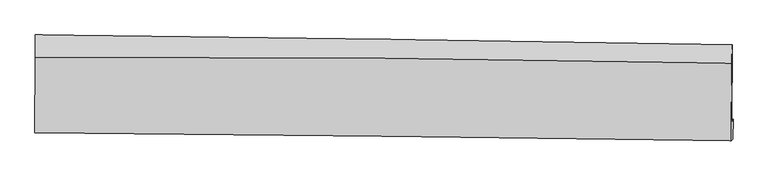
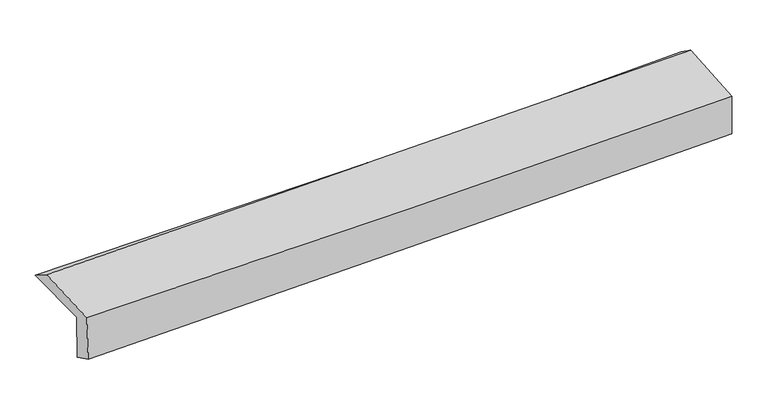
"""IFC4 building model written with IfcOpenShell, lengths in millimetres: proxy geometry."""

from ifc_helpers import new_model, si_unit, frame, origin, place, context, project, spatial, source, transform, mapped, element, save
from ifc_brep_helpers import plane_surface, spline_curve, spline_surface, advanced_brep


def generic_models_54c96e80(model_context):
    return source(origin(), model_context, "Body", "AdvancedBrep", [
        advanced_brep(
        [(-3008.8274967, -1756.1516494, 1977.6868131), (-3007.3400333, -1085.0512914, 1986.122767), (2993.3993202, -1168.6240048, 2151.1208491), (2988.503975, -1834.4139303, 2131.4802068), (-2998.0349591, -1747.5590268, 1572.9270793), (2999.4866806, -1810.5228965, 1722.0247795), (-3000.9405452, -1928.0403817, 1664.8171909), (2995.2751239, -1981.2805664, 1829.1777803), (-3011.9347724, -1928.1326388, 2077.9713001), (2984.9767299, -1996.1573653, 2215.4428972), (-3011.0848954, -1275.6201185, 2108.5858327), (2989.1554635, -1328.6512843, 2262.8106658)],
        [
            (0, 1),
            (1, 2, spline_curve(3, [(-3007.3400333, -1085.0512914, 1986.122767), (-2006.644718486, -1097.383920953, 1976.639231834), (-1006.409443472, -1110.511925869, 1985.636077444), (993.837649001, -1138.368388452, 2040.609675914), (1993.848825231, -1153.097954527, 2086.612190698), (2993.3993202, -1168.6240048, 2151.1208491)], [4, 2, 4], [0.0, 9.843668740124423, 19.69419634329512])),
            (2, 3),
            (3, 0, spline_curve(3, [(2988.503975, -1834.4139303, 2131.4802068), (1989.534481552, -1821.297592267, 2072.19660447), (990.097892994, -1808.21530707, 2029.740082161), (-1009.013248081, -1782.127927536, 1978.499042665), (-2008.687149883, -1769.122785901, 1969.691100558), (-3008.8274967, -1756.1516494, 1977.6868131)], [4, 2, 4], [0.0, 9.850527603170695, 19.69419634329512])),
            (4, 0),
            (3, 5),
            (5, 4, spline_curve(3, [(2999.4866806, -1810.5228965, 1722.0247795), (2000.181194756, -1795.634298159, 1675.328927757), (1000.560810206, -1782.941947273, 1639.555669017), (-998.61350809, -1761.957048101, 1589.871640952), (-1998.167003372, -1753.661442669, 1575.945666163), (-2998.0349591, -1747.5590268, 1572.9270793)], [4, 2, 4], [0.0, 9.846657007094734, 19.686457846215934])),
            (6, 4),
            (5, 7),
            (7, 6, spline_curve(3, [(2995.2751239, -1981.2805664, 1829.1777803), (1995.908712828, -1965.424075497, 1791.685723398), (996.366782747, -1953.058818262, 1759.239966062), (-1002.372018108, -1935.316950267, 1704.460127816), (-2001.568644484, -1929.935479038, 1682.119022115), (-3000.9405452, -1928.0403817, 1664.8171909)], [4, 2, 4], [0.0, 9.84498329910976, 19.683111595638774])),
            (8, 6),
            (7, 9),
            (9, 8, spline_curve(3, [(2984.9767299, -1996.1573653, 2215.4428972), (1985.53998177, -1983.027081959, 2180.204441806), (985.904868966, -1970.791550556, 2151.127402926), (-1013.065907737, -1948.117887161, 2105.312114284), (-2012.401295839, -1937.678509947, 2088.56528751), (-3011.9347724, -1928.1326388, 2077.9713001)], [4, 2, 4], [0.0, 9.844137361083057, 19.68142030860692])),
            (10, 8),
            (9, 11),
            (11, 10, spline_curve(3, [(2989.1554635, -1328.6512843, 2262.8106658), (1988.925548096, -1309.628487425, 2230.571136079), (988.616391751, -1295.698059283, 2201.595962568), (-1011.463838335, -1278.028093005, 2150.192228919), (-2011.234801607, -1274.281466163, 2127.759125162), (-3011.0848954, -1275.6201185, 2108.5858327)], [4, 2, 4], [0.0, 9.847201635129787, 19.68754672306482])),
            (1, 10),
            (11, 2),
        ],
        [
            spline_surface(3, 3, [[(-3008.8274967, -1756.1516494, 1977.6868131), (-2008.687149843, -1769.122785818, 1969.691100488), (-1009.013247949, -1782.127927511, 1978.499042638), (990.097892863, -1808.215307095, 2029.740082188), (1989.534481534, -1821.297592325, 2072.196604577), (2988.503975, -1834.4139303, 2131.4802068)], [(-3008.331675552, -1532.451530092, 1980.498797763), (-2008.006339345, -1545.209830892, 1972.007144313), (-1008.145313105, -1558.255926996, 1980.878054274), (991.344478261, -1584.933000834, 2033.363280053), (1990.972596117, -1598.564379701, 2077.001800003), (2990.135756738, -1612.483955138, 2138.02708758)], [(-3007.835854448, -1308.751410708, 1983.310782337), (-2007.32552889, -1321.296875889, 1974.323188048), (-1007.277378316, -1334.383926503, 1983.257065925), (992.591063603, -1361.650694595, 2036.986477933), (1992.410710685, -1375.831167064, 2081.80699539), (2991.767538462, -1390.553979962, 2144.57396832)], [(-3007.3400333, -1085.0512914, 1986.122767), (-2006.644718391, -1097.383920963, 1976.639231873), (-1006.409443472, -1110.511925987, 1985.636077561), (993.837649001, -1138.368388334, 2040.609675797), (1993.848825267, -1153.09795444, 2086.612190817), (2993.3993202, -1168.6240048, 2151.1208491)]], [4, 4], [4, 2, 4], [0.0, 2.200783416863172], [0.0, 9.843668740124423, 19.69419634329512]),
            spline_surface(3, 3, [[(-2998.0349591, -1747.5590268, 1572.9270793), (-1998.167003282, -1753.661442551, 1575.945666279), (-998.613508084, -1761.957048092, 1589.871640973), (1000.5608102, -1782.941947282, 1639.555668996), (2000.181194877, -1795.634298256, 1675.328927705), (2999.4866806, -1810.5228965, 1722.0247795)], [(-3001.632471645, -1750.423234338, 1707.846990551), (-2001.673718814, -1758.815223645, 1707.194144333), (-1002.080088066, -1768.680674576, 1719.414108201), (997.073171061, -1791.366400564, 1769.617140066), (1996.632290405, -1804.188729612, 1807.618153328), (2995.825778709, -1818.486574433, 1858.509921933)], [(-3005.229984155, -1753.287441862, 1842.766901849), (-2005.180434311, -1763.969004725, 1838.442622434), (-1005.546667967, -1775.404301026, 1848.956575411), (993.585532002, -1799.790853812, 1899.678611118), (1993.083386006, -1812.743160968, 1939.907378954), (2992.164876891, -1826.450252367, 1994.995064367)], [(-3008.8274967, -1756.1516494, 1977.6868131), (-2008.687149843, -1769.122785818, 1969.691100488), (-1009.013247949, -1782.127927511, 1978.499042638), (990.097892863, -1808.215307095, 2029.740082188), (1989.534481534, -1821.297592325, 2072.196604577), (2988.503975, -1834.4139303, 2131.4802068)]], [4, 4], [4, 2, 4], [0.0, 1.2802111929095426], [0.0, 9.8398008391212, 19.686457846215934]),
            spline_surface(3, 3, [[(-3000.9405452, -1928.0403817, 1664.8171909), (-2001.568644359, -1929.935479193, 1682.11902219), (-1002.372018035, -1935.316950217, 1704.460127861), (996.366782674, -1953.058818312, 1759.239966017), (1995.908712712, -1965.424075483, 1791.685723495), (2995.2751239, -1981.2805664, 1829.1777803)], [(-2999.972016506, -1867.879930062, 1634.187153709), (-2000.434764006, -1871.177466974, 1646.727903562), (-1001.119181361, -1877.530316179, 1666.263965562), (997.764791874, -1896.353194639, 1719.345200341), (1997.332873439, -1908.827483077, 1752.900124914), (2996.678976138, -1924.361343103, 1793.460113382)], [(-2999.003487794, -1807.719478438, 1603.557116491), (-1999.300883635, -1812.41945477, 1611.336784907), (-999.866344759, -1819.74368213, 1628.067803272), (999.162801001, -1839.647570955, 1679.450434672), (1998.757034151, -1852.230890662, 1714.114526286), (2998.082828362, -1867.442119797, 1757.742446418)], [(-2998.0349591, -1747.5590268, 1572.9270793), (-1998.167003282, -1753.661442551, 1575.945666279), (-998.613508084, -1761.957048092, 1589.871640973), (1000.5608102, -1782.941947282, 1639.555668996), (2000.181194877, -1795.634298256, 1675.328927705), (2999.4866806, -1810.5228965, 1722.0247795)]], [4, 4], [4, 2, 4], [0.0, 0.6821531836888474], [0.0, 9.838128296529014, 19.683111595638774]),
            spline_surface(3, 3, [[(-3011.9347724, -1928.1326388, 2077.9713001), (-2012.401295822, -1937.678509963, 2088.565287587), (-1013.065907829, -1948.117887221, 2105.31211442), (985.904869058, -1970.791550496, 2151.12740279), (1985.539981879, -1983.027082016, 2180.204441661), (2984.9767299, -1996.1573653, 2215.4428972)], [(-3008.270030011, -1928.101886436, 1940.253263698), (-2008.790412012, -1935.097499709, 1953.083199119), (-1009.501277924, -1943.850908222, 1971.694785562), (989.39217357, -1964.88063977, 2020.498257195), (1988.996225506, -1977.159413165, 2050.698202264), (2988.409527915, -1991.198432326, 2086.687858225)], [(-3004.605287589, -1928.071134064, 1802.535227302), (-2005.17952817, -1932.516489447, 1817.601110657), (-1005.93664794, -1939.583929216, 1838.077456718), (992.879478162, -1958.969729038, 1889.869111612), (1992.452469086, -1971.291744334, 1921.191962892), (2991.842325885, -1986.239499374, 1957.932819275)], [(-3000.9405452, -1928.0403817, 1664.8171909), (-2001.568644359, -1929.935479193, 1682.11902219), (-1002.372018035, -1935.316950217, 1704.460127861), (996.366782674, -1953.058818312, 1759.239966017), (1995.908712712, -1965.424075483, 1791.685723495), (2995.2751239, -1981.2805664, 1829.1777803)]], [4, 4], [4, 2, 4], [0.0, 1.3018424488666769], [0.0, 9.837282947523864, 19.68142030860692]),
            spline_surface(3, 3, [[(-3011.0848954, -1275.6201185, 2108.5858327), (-2011.234801517, -1274.281466165, 2127.759125125), (-1011.463838268, -1278.028093051, 2150.192229059), (988.616391685, -1295.698059237, 2201.595962429), (1988.925548053, -1309.628487574, 2230.571136215), (2989.1554635, -1328.6512843, 2262.8106658)], [(-3011.368187706, -1493.12429193, 2098.380988501), (-2011.623632925, -1495.413814094, 2114.694512613), (-1011.997861451, -1501.391357768, 2135.23219083), (987.712550814, -1520.729222985, 2184.7731092), (1987.79702599, -1534.094685724, 2213.782238038), (2987.762552295, -1551.153311303, 2247.021409608)], [(-3011.651480094, -1710.62846537, 2088.176144299), (-2012.012464414, -1716.546162034, 2101.629900099), (-1012.531884647, -1724.754622503, 2120.272152649), (986.808709929, -1745.760386749, 2167.950256019), (1986.668503942, -1758.560883866, 2196.993339838), (2986.369641105, -1773.655338297, 2231.232153392)], [(-3011.9347724, -1928.1326388, 2077.9713001), (-2012.401295822, -1937.678509963, 2088.565287587), (-1013.065907829, -1948.117887221, 2105.31211442), (985.904869058, -1970.791550496, 2151.12740279), (1985.539981879, -1983.027082016, 2180.204441661), (2984.9767299, -1996.1573653, 2215.4428972)]], [4, 4], [4, 2, 4], [0.0, 2.212219377087084], [0.0, 9.840345087935033, 19.68754672306482]),
            spline_surface(3, 3, [[(-3007.3400333, -1085.0512914, 1986.122767), (-2006.644718391, -1097.383920963, 1976.639231873), (-1006.409443472, -1110.511925987, 1985.636077561), (993.837649001, -1138.368388334, 2040.609675797), (1993.848825267, -1153.09795444, 2086.612190817), (2993.3993202, -1168.6240048, 2151.1208491)], [(-3008.588320679, -1148.574233742, 2026.943788879), (-2008.174746112, -1156.349769339, 2027.012529602), (-1008.094241732, -1166.350648337, 2040.488128082), (992.097229902, -1190.811611963, 2094.271771364), (1992.207732867, -1205.274798815, 2134.598505922), (2991.984701305, -1221.966431297, 2188.350787972)], [(-3009.836608021, -1212.097176158, 2067.764810821), (-2009.704773796, -1215.315617788, 2077.385827396), (-1009.779040009, -1222.189370701, 2095.340178537), (990.356810784, -1243.254835608, 2147.933866863), (1990.566640453, -1257.451643199, 2182.58482111), (2990.570082395, -1275.308857803, 2225.580726928)], [(-3011.0848954, -1275.6201185, 2108.5858327), (-2011.234801517, -1274.281466165, 2127.759125125), (-1011.463838268, -1278.028093051, 2150.192229059), (988.616391685, -1295.698059237, 2201.595962429), (1988.925548053, -1309.628487574, 2230.571136215), (2989.1554635, -1328.6512843, 2262.8106658)]], [4, 4], [4, 2, 4], [0.0, 0.7545968402740805], [0.0, 9.84474239711266, 19.696344405373384]),
            plane_surface(frame((2991.7995488, -1686.6083413, 2052.0095298), z_axis=(0.9996200509246524, -0.008126868264590598, 0.026338333311074876), x_axis=(0.026632263162121153, 0.03847229209558656, -0.9989047028119227))),
            plane_surface(frame((-3006.3604504, -1620.0925177, 1898.0184972), z_axis=(-0.9996428941685904, 0.0025500389277236563, -0.026600402999042386), x_axis=(-0.002216274015111404, -0.9999185470001637, -0.012569307640892669))),
        ],
        [
            (0, [[1, 2, 3, 4]]),
            (1, [[5, -4, 6, 7]]),
            (2, [[8, -7, 9, 10]]),
            (3, [[11, -10, 12, 13]]),
            (4, [[14, -13, 15, 16]]),
            (5, [[17, -16, 18, -2]]),
            (6, [[-12, -9, -6, -3, -18, -15]]),
            (7, [[-1, -5, -8, -11, -14, -17]]),
        ],
    ),
    ])


if __name__ == "__main__":
    model = new_model("IFC4")
    model_context = context("Model", 3, world=origin())
    ifc_project = project(units=[si_unit("LENGTHUNIT", "METRE", prefix="MILLI")], contexts=[model_context])
    site = spatial("IfcSite", under=ifc_project)
    building = spatial("IfcBuilding", under=site)
    placement = place(None, origin())
    generic_models_shape = generic_models_54c96e80(model_context)
    element("IfcBuildingElementProxy", 1, Name="Generic Models", at=placement, inside=building, context=model_context, shape_type="MappedRepresentation", body=[
        mapped(generic_models_shape, transform((0.0, 0.0, 0.0), x_axis=(1.0, 0.0, 0.0), y_axis=(0.0, 1.0, 0.0), z_axis=(0.0, 0.0, 1.0))),
    ])
    save(model, "model.ifc")
